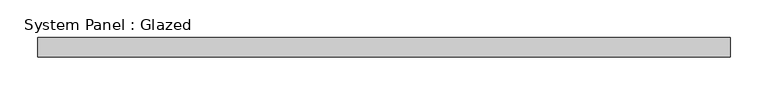
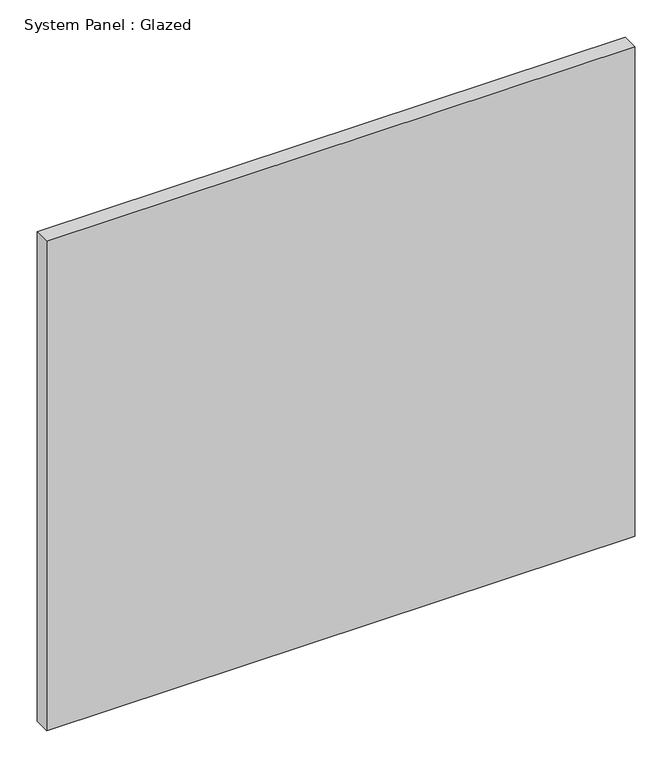
"""IFC4 building model written with IfcOpenShell, lengths in millimetres: plate geometry, System Panel : Glazed."""

from ifc_helpers import new_model, si_unit, origin, origin_with_axes, place, context, project, spatial, polyline, outline, extrude, source, transform, mapped, element, save


def system_panel_glazed_bda174c8(model_context):
    return source(origin(), model_context, "Body", "SweptSolid", [
        extrude(outline(polyline([(457.3, 19.05), (-457.3, 19.05), (-457.3, 44.45), (457.3, 44.45), (457.3, 19.05)])), origin_with_axes(), (0.0, 0.0, 1.0), 804.75),
    ])


if __name__ == "__main__":
    model = new_model("IFC4")
    model_context = context("Model", 3, world=origin())
    ifc_project = project(units=[si_unit("LENGTHUNIT", "METRE", prefix="MILLI")], contexts=[model_context])
    site = spatial("IfcSite", under=ifc_project)
    building = spatial("IfcBuilding", under=site)
    placement = place(None, origin())
    system_panel_glazed_shape = system_panel_glazed_bda174c8(model_context)
    element("IfcPlate", 1, ObjectType="System Panel : Glazed", at=placement, inside=building, context=model_context, shape_type="MappedRepresentation", body=[
        mapped(system_panel_glazed_shape, transform((0.0, 0.0, 0.0), x_axis=(1.0, 0.0, 0.0), y_axis=(0.0, 1.0, 0.0), z_axis=(0.0, 0.0, 1.0))),
    ])
    save(model, "model.ifc")
